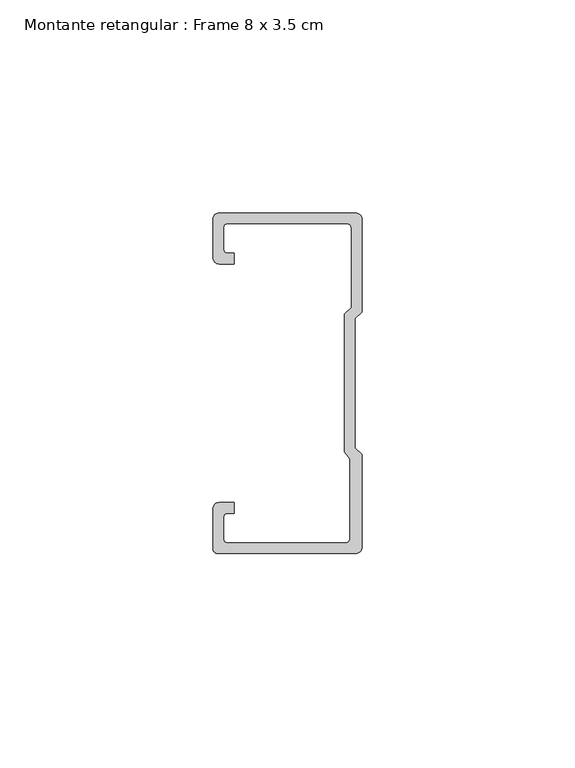
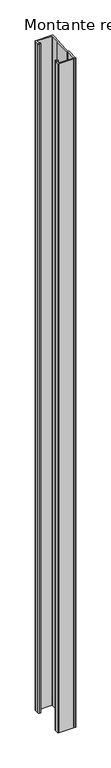
"""IFC4 building model written with IfcOpenShell, lengths in millimetres: member geometry, Montante retangular : Frame 8 x 3.5 cm."""

from ifc_helpers import new_model, si_unit, point, frame, frame_2d, origin, place, context, project, spatial, polyline, circle_curve, trimmed, segment, composite_curve, outline, extrude, source, transform, mapped, element, save


def montante_retangular_frame_8_x_3_5_cm_a23d8b92(model_context):
    return source(origin(), model_context, "Body", "SweptSolid", [
        extrude(outline(composite_curve([segment(polyline([(-35.0, 29.5276505), (-35.0, 38.5)]), True, "CONTINUOUS"), segment(trimmed(circle_curve(frame_2d((-33.5, 38.5)), 1.5), [point((-35.0, 38.5))], [point((-33.5, 40.0))], False, "CARTESIAN"), True, "CONTINUOUS"), segment(polyline([(-33.5, 40.0), (-1.5, 40.0)]), True, "CONTINUOUS"), segment(trimmed(circle_curve(frame_2d((-1.5, 38.5)), 1.5), [point((-1.5, 40.0))], [point((0.0, 38.5))], False, "CARTESIAN"), True, "CONTINUOUS"), segment(polyline([(0.0, 38.5), (0.0, 16.7622662), (-1.5877131, 15.174553), (-1.5877131, -15.174553), (0.0, -16.7622662), (0.0, -38.5)]), True, "CONTINUOUS"), segment(trimmed(circle_curve(frame_2d((-1.5, -38.5)), 1.5), [point((0.0, -38.5))], [point((-1.5, -40.0))], False, "CARTESIAN"), True, "CONTINUOUS"), segment(polyline([(-1.5, -40.0), (-33.8171833, -40.0)]), True, "CONTINUOUS"), segment(trimmed(circle_curve(frame_2d((-33.8171833, -38.8171833)), 1.1828167), [point((-33.8171833, -40.0))], [point((-35.0, -38.8171833))], False, "CARTESIAN"), True, "CONTINUOUS"), segment(polyline([(-35.0, -38.8171833), (-35.0, -29.5276505)]), True, "CONTINUOUS"), segment(trimmed(circle_curve(frame_2d((-33.5, -29.5276505)), 1.5), [point((-35.0, -29.5276505))], [point((-33.5, -28.0276505))], False, "CARTESIAN"), True, "CONTINUOUS"), segment(polyline([(-33.5, -28.0276505), (-30.0162256, -28.0276505), (-30.0162256, -30.5276505), (-31.5, -30.5276505)]), True, "CONTINUOUS"), segment(trimmed(circle_curve(frame_2d((-31.5, -31.5276505)), 1.0), [point((-31.5, -30.5276505))], [point((-32.5, -31.5276505))], True, "CARTESIAN"), True, "CONTINUOUS"), segment(polyline([(-32.5, -31.5276505), (-32.5, -36.5)]), True, "CONTINUOUS"), segment(trimmed(circle_curve(frame_2d((-31.5, -36.5)), 1.0), [point((-32.5, -36.5))], [point((-31.5, -37.5))], True, "CARTESIAN"), True, "CONTINUOUS"), segment(polyline([(-31.5, -37.5), (-3.807214, -37.5)]), True, "CONTINUOUS"), segment(trimmed(circle_curve(frame_2d((-3.807214, -36.5)), 1.0), [point((-3.807214, -37.5))], [point((-2.807214, -36.5))], True, "CARTESIAN"), True, "CONTINUOUS"), segment(polyline([(-2.807214, -36.5), (-2.807214, -17.7671948), (-4.0877131, -16.1794816), (-4.0877131, 16.2100869), (-2.5, 17.7978001), (-2.5, 36.5)]), True, "CONTINUOUS"), segment(trimmed(circle_curve(frame_2d((-3.5, 36.5)), 1.0), [point((-2.5, 36.5))], [point((-3.5, 37.5))], True, "CARTESIAN"), True, "CONTINUOUS"), segment(polyline([(-3.5, 37.5), (-31.5, 37.5)]), True, "CONTINUOUS"), segment(trimmed(circle_curve(frame_2d((-31.5, 36.5)), 1.0), [point((-31.5, 37.5))], [point((-32.5, 36.5))], True, "CARTESIAN"), True, "CONTINUOUS"), segment(polyline([(-32.5, 36.5), (-32.5, 31.5276505)]), True, "CONTINUOUS"), segment(trimmed(circle_curve(frame_2d((-31.5, 31.5276505)), 1.0), [point((-32.5, 31.5276505))], [point((-31.5, 30.5276505))], True, "CARTESIAN"), True, "CONTINUOUS"), segment(polyline([(-31.5, 30.5276505), (-30.0162256, 30.5276505), (-30.0162256, 28.0276505), (-33.5, 28.0276505)]), True, "CONTINUOUS"), segment(trimmed(circle_curve(frame_2d((-33.5, 29.5276505)), 1.5), [point((-33.5, 28.0276505))], [point((-35.0, 29.5276505))], False, "CARTESIAN"), True, "CONTINUOUS")], self_intersect=False)), frame((0.0, 0.0, -1400.0), z_axis=(0.0, 0.0, 1.0), x_axis=(1.0, 0.0, 0.0)), (0.0, 0.0, 1.0), 1400.0),
    ])


if __name__ == "__main__":
    model = new_model("IFC4")
    model_context = context("Model", 3, world=origin())
    ifc_project = project(units=[si_unit("LENGTHUNIT", "METRE", prefix="MILLI")], contexts=[model_context])
    site = spatial("IfcSite", under=ifc_project)
    building = spatial("IfcBuilding", under=site)
    placement = place(None, origin())
    montante_retangular_frame_8_x_3_5_cm_shape = montante_retangular_frame_8_x_3_5_cm_a23d8b92(model_context)
    element("IfcMember", 1, ObjectType="Montante retangular : Frame 8 x 3.5 cm", at=placement, inside=building, context=model_context, shape_type="MappedRepresentation", body=[
        mapped(montante_retangular_frame_8_x_3_5_cm_shape, transform((0.0, 0.0, 0.0), x_axis=(1.0, 0.0, 0.0), y_axis=(0.0, 1.0, 0.0), z_axis=(0.0, 0.0, 1.0))),
    ])
    save(model, "model.ifc")
